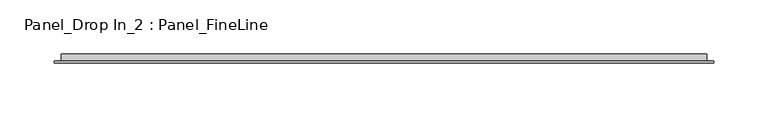
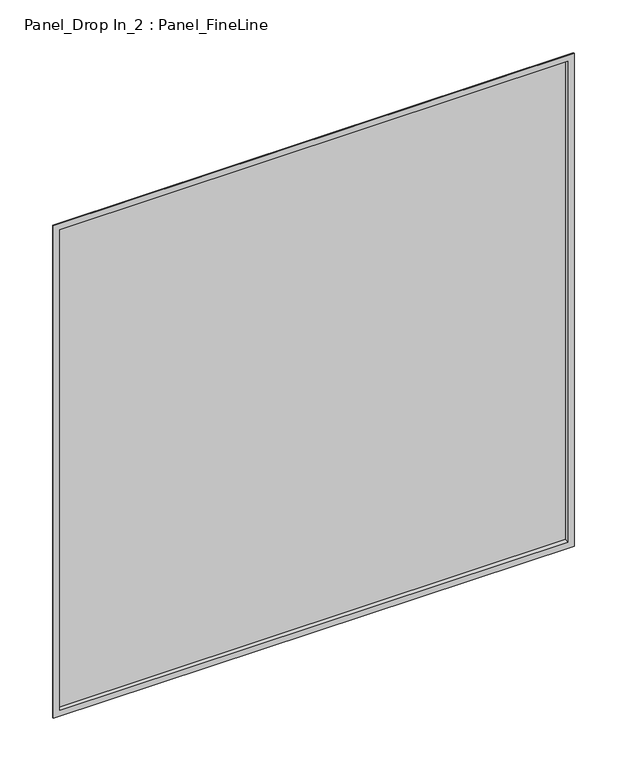
"""IFC4 building model written with IfcOpenShell, lengths in millimetres: plate geometry, Panel_Drop In_2 : Panel_FineLine."""

from ifc_helpers import new_model, si_unit, frame, origin, place, context, project, spatial, polyline, outline, extrude, faceted_brep, source, transform, mapped, element, save


def panel_drop_in_2_panel_fineline_25e9f1a6(model_context):
    return source(origin(), model_context, "Body", "SolidModel", [
        extrude(outline(polyline([(296.2, 5.5297993), (-296.2, 5.5297993), (-296.2, 7.0), (296.2, 7.0), (296.2, 5.5297993)])), frame((0.0, 0.0, 1.3), z_axis=(0.0, 0.0, 1.0), x_axis=(1.0, 0.0, 0.0)), (0.0, 0.0, 1.0), 592.4),
        faceted_brep([(-303.5, 0.0, 601.0), (-303.5, 1.5, 601.0), (-303.5, 1.5, -6.0), (-303.5, 0.0, -6.0), (-296.2, 7.0, 593.7), (-296.2, 0.0, 593.7), (-296.2, 0.0, 1.3), (-296.2, 7.0, 1.3), (-287.5, 8.0, 585.0), (-287.5, 7.0, 585.0), (-287.5, 7.0, 10.0), (-287.5, 8.0, 10.0), (-297.2, 1.5, 594.7), (-297.2, 8.0, 594.7), (-297.2, 8.0, 0.3), (-297.2, 1.5, 0.3), (303.5, 1.5, -6.0), (303.5, 0.0, -6.0), (296.2, 0.0, 1.3), (296.2, 7.0, 1.3), (287.5, 7.0, 10.0), (287.5, 8.0, 10.0), (297.2, 8.0, 0.3), (297.2, 1.5, 0.3), (303.5, 1.5, 601.0), (303.5, 0.0, 601.0), (296.2, 0.0, 593.7), (296.2, 7.0, 593.7), (287.5, 7.0, 585.0), (287.5, 8.0, 585.0), (297.2, 8.0, 594.7), (297.2, 1.5, 594.7)], [[[0, 1, 2, 3]], [[4, 5, 6, 7]], [[8, 9, 10, 11]], [[12, 13, 14, 15]], [[3, 2, 16, 17]], [[7, 6, 18, 19]], [[11, 10, 20, 21]], [[15, 14, 22, 23]], [[17, 16, 24, 25]], [[19, 18, 26, 27]], [[21, 20, 28, 29]], [[23, 22, 30, 31]], [[25, 24, 1, 0]], [[3, 17, 25, 0], [5, 26, 18, 6]], [[27, 26, 5, 4]], [[7, 19, 27, 4], [9, 28, 20, 10]], [[29, 28, 9, 8]], [[13, 30, 22, 14], [11, 21, 29, 8]], [[31, 30, 13, 12]], [[1, 24, 16, 2], [15, 23, 31, 12]]]),
        extrude(outline(polyline([(287.5, 7.0), (-287.5, 7.0), (-287.5, 8.0), (287.5, 8.0), (287.5, 7.0)])), frame((0.0, 0.0, 10.0), z_axis=(0.0, 0.0, 1.0), x_axis=(1.0, 0.0, 0.0)), (0.0, 0.0, 1.0), 575.0),
    ])


if __name__ == "__main__":
    model = new_model("IFC4")
    model_context = context("Model", 3, world=origin())
    ifc_project = project(units=[si_unit("LENGTHUNIT", "METRE", prefix="MILLI")], contexts=[model_context])
    site = spatial("IfcSite", under=ifc_project)
    building = spatial("IfcBuilding", under=site)
    placement = place(None, origin())
    panel_drop_in_2_panel_fineline_shape = panel_drop_in_2_panel_fineline_25e9f1a6(model_context)
    element("IfcPlate", 1, ObjectType="Panel_Drop In_2 : Panel_FineLine", at=placement, inside=building, context=model_context, shape_type="MappedRepresentation", body=[
        mapped(panel_drop_in_2_panel_fineline_shape, transform((0.0, 0.0, 0.0), x_axis=(1.0, 0.0, 0.0), y_axis=(0.0, 1.0, 0.0), z_axis=(0.0, 0.0, 1.0))),
    ])
    save(model, "model.ifc")
